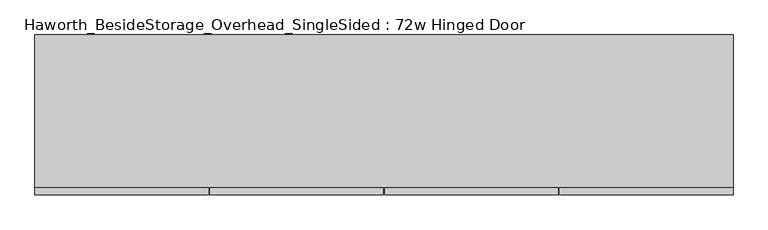
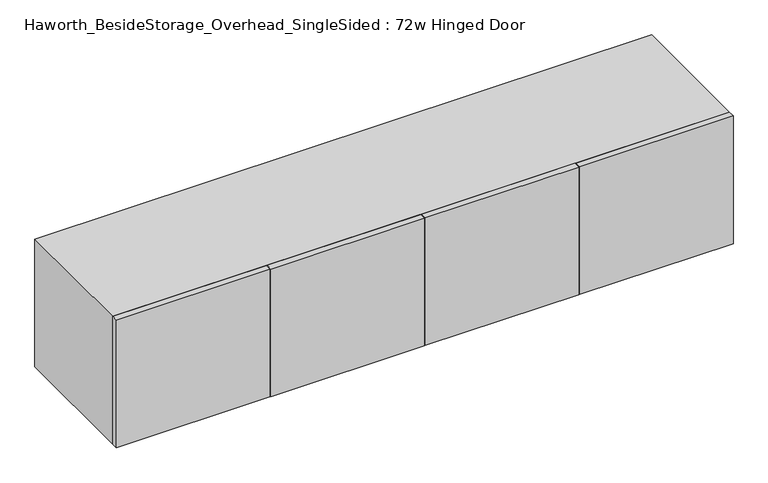
"""IFC4 building model written with IfcOpenShell, lengths in millimetres: furniture geometry, Haworth_BesideStorage_Overhead_SingleSided : 72w Hinged Door."""

from ifc_helpers import new_model, si_unit, frame, origin, place, context, project, spatial, polyline, outline, extrude, source, transform, mapped, element, save


def haworth_besidestorage_overhead_singlesided_72w_hinged_door_f0bc05ea(model_context):
    return source(origin(), model_context, "Body", "SweptSolid", [
        extrude(outline(polyline([(624.68125, -419.1), (624.68125, -400.05), (1079.5, -400.05), (1079.5, -419.1), (624.68125, -419.1)])), frame((0.0, 0.0, 762.0), z_axis=(0.0, 0.0, 1.0), x_axis=(1.0, 0.0, 0.0)), (0.0, 0.0, 1.0), 400.05),
        extrude(outline(polyline([(621.50625, -419.1), (166.6875, -419.1), (166.6875, -400.05), (621.50625, -400.05), (621.50625, -419.1)])), frame((0.0, 0.0, 762.0), z_axis=(0.0, 0.0, 1.0), x_axis=(1.0, 0.0, 0.0)), (0.0, 0.0, 1.0), 400.05),
        extrude(outline(polyline([(-291.30625, -419.1), (-291.30625, -400.05), (163.5125, -400.05), (163.5125, -419.1), (-291.30625, -419.1)])), frame((0.0, 0.0, 762.0), z_axis=(0.0, 0.0, 1.0), x_axis=(1.0, 0.0, 0.0)), (0.0, 0.0, 1.0), 400.05),
        extrude(outline(polyline([(-294.48125, -419.1), (-749.3, -419.1), (-749.3, -400.05), (-294.48125, -400.05), (-294.48125, -419.1)])), frame((0.0, 0.0, 762.0), z_axis=(0.0, 0.0, 1.0), x_axis=(1.0, 0.0, 0.0)), (0.0, 0.0, 1.0), 400.05),
        extrude(outline(polyline([(174.625, -400.05), (155.575, -400.05), (155.575, -19.05), (174.625, -19.05), (174.625, -400.05)])), frame((0.0, 0.0, 781.05), z_axis=(0.0, 0.0, 1.0), x_axis=(1.0, 0.0, 0.0)), (0.0, 0.0, 1.0), 361.95),
        extrude(outline(polyline([(1060.45, -19.05), (-730.25, -19.05), (-730.25, 0.0), (1060.45, 0.0), (1060.45, -19.05)])), frame((0.0, 0.0, 781.05), z_axis=(0.0, 0.0, 1.0), x_axis=(1.0, 0.0, 0.0)), (0.0, 0.0, 1.0), 361.95),
        extrude(outline(polyline([(762.0, 1079.5), (1162.05, 1079.5), (1162.05, -749.3), (762.0, -749.3), (762.0, 1079.5)]), holes=[polyline([(1143.0, 1060.45), (781.05, 1060.45), (781.05, -730.25), (1143.0, -730.25), (1143.0, 1060.45)])]), frame((0.0, -400.05, 0.0), z_axis=(0.0, 1.0, 0.0), x_axis=(0.0, 0.0, 1.0)), (0.0, 0.0, 1.0), 400.05),
    ])


if __name__ == "__main__":
    model = new_model("IFC4")
    model_context = context("Model", 3, world=origin())
    ifc_project = project(units=[si_unit("LENGTHUNIT", "METRE", prefix="MILLI")], contexts=[model_context])
    site = spatial("IfcSite", under=ifc_project)
    building = spatial("IfcBuilding", under=site)
    placement = place(None, origin())
    haworth_besidestorage_overhead_singlesided_72w_hinged_door_shape = haworth_besidestorage_overhead_singlesided_72w_hinged_door_f0bc05ea(model_context)
    element("IfcFurniture", 1, ObjectType="Haworth_BesideStorage_Overhead_SingleSided : 72w Hinged Door", at=placement, inside=building, context=model_context, shape_type="MappedRepresentation", body=[
        mapped(haworth_besidestorage_overhead_singlesided_72w_hinged_door_shape, transform((0.0, 0.0, 0.0), x_axis=(1.0, 0.0, 0.0), y_axis=(0.0, 1.0, 0.0), z_axis=(0.0, 0.0, 1.0))),
    ])
    save(model, "model.ifc")
